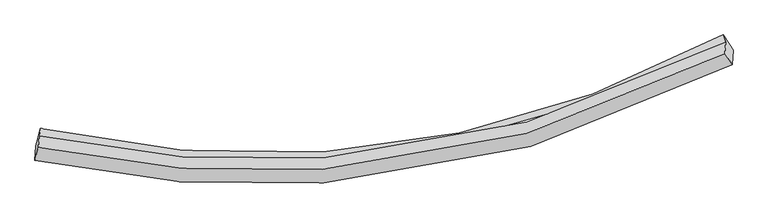
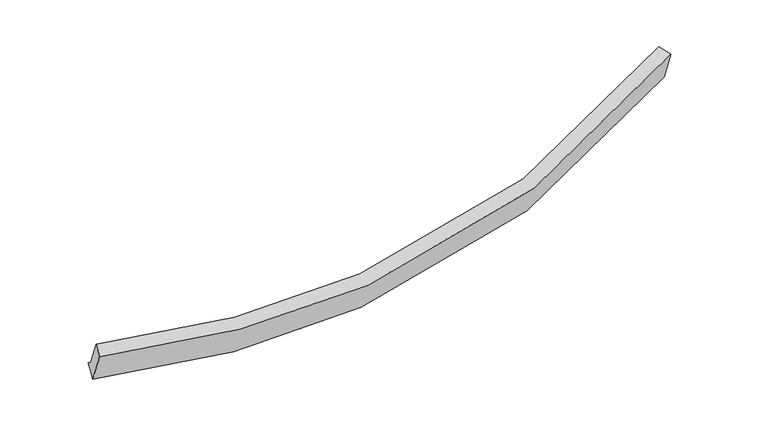
"""IFC4 building model written with IfcOpenShell, lengths in millimetres: proxy geometry."""

import ifcopenshell
import ifcopenshell.guid

model = None  # the IFC model being written
_history = None  # IfcOwnerHistory: only IFC2X3 demands one
_inside = {}  # id of a spatial element -> (the spatial element, [elements in it])
_under = {}  # id of a project, library or spatial element -> (it, [spatial elements below it])
_declared = {}  # id of a project -> (the project, [libraries it declares])
_typed = {}  # id of a type object -> (the type object, [elements of that type])
_made_of = {}  # id of a material, layer set ... -> (it, [elements and type objects made of it])


def new_model(schema):
    """Start an empty IFC model of exactly this schema.

    Asked for "IFC4X3", IfcOpenShell would pick the latest addendum, in which some entities
    have other attributes; the version numbers below select the first issue.
    IFC2X3 requires an IfcOwnerHistory on every rooted entity: one is made here for all.
    """
    global model, _history
    if schema == "IFC4X3":
        model = ifcopenshell.file(schema_version=(4, 3, 0, 0))
    else:
        model = ifcopenshell.file(schema=schema)
    _inside.clear()
    _under.clear()
    _declared.clear()
    _typed.clear()
    _made_of.clear()
    _history = None
    if model.schema == "IFC2X3":
        org = make("IfcOrganization", Name="unknown")
        user = make(
            "IfcPersonAndOrganization",
            ThePerson=make("IfcPerson", FamilyName="unknown"),
            TheOrganization=org,
        )
        app = make(
            "IfcApplication",
            ApplicationDeveloper=org,
            Version="unknown",
            ApplicationFullName="unknown",
            ApplicationIdentifier="unknown",
        )
        _history = make(
            "IfcOwnerHistory",
            OwningUser=user,
            OwningApplication=app,
            ChangeAction="ADDED",
            CreationDate=0,
        )
    return model


def make(cls, **values):
    """One entity of the class cls with the attributes given. An attribute that is None is left unset."""
    return model.create_entity(
        cls, **{name: value for name, value in values.items() if value is not None}
    )


def rooted(cls, **values):
    """An entity with a GlobalId (a new one), such as an element, a storey or a relation."""
    return make(cls, GlobalId=ifcopenshell.guid.new(), OwnerHistory=_history, **values)


def si_unit(unit_type, name, prefix=None):
    """IfcSIUnit, for example si_unit("LENGTHUNIT", "METRE", prefix="MILLI")."""
    return make("IfcSIUnit", UnitType=unit_type, Prefix=prefix, Name=name)


def assignment(units):
    """IfcUnitAssignment: the units of a project."""
    return None if units is None else make("IfcUnitAssignment", Units=units)


def point(xyz):
    """IfcCartesianPoint."""
    return None if xyz is None else make("IfcCartesianPoint", Coordinates=xyz)


def direction(xyz):
    """IfcDirection."""
    return None if xyz is None else make("IfcDirection", DirectionRatios=xyz)


def frame(location, z_axis=None, x_axis=None):
    """IfcAxis2Placement3D, a coordinate frame: its origin and axes. An axis left out is left unset."""
    return make(
        "IfcAxis2Placement3D",
        Location=point(location),
        Axis=direction(z_axis),
        RefDirection=direction(x_axis),
    )


def origin():
    """The frame at (0, 0, 0) with its axes left unset."""
    return frame((0.0, 0.0, 0.0))


def place(relative_to, where):
    """IfcLocalPlacement: puts the frame where relative to a parent placement (None: the world)."""
    return make(
        "IfcLocalPlacement", PlacementRelTo=relative_to, RelativePlacement=where
    )


def context(
    kind, dimensions, precision=None, world=None, true_north=None, identifier=None
):
    """IfcGeometricRepresentationContext, for example the 3D "Model" context."""
    return make(
        "IfcGeometricRepresentationContext",
        ContextIdentifier=identifier,
        ContextType=kind,
        CoordinateSpaceDimension=dimensions,
        Precision=precision,
        WorldCoordinateSystem=world,
        TrueNorth=true_north,
    )


def project(units=None, contexts=None):
    """IfcProject with its units and contexts."""
    return rooted(
        "IfcProject",
        Name="project",
        RepresentationContexts=contexts,
        UnitsInContext=assignment(units),
    )


def spatial(cls, under=None, at=None, **own):
    """A site, building, storey or space (cls), placed at a placement, below another one or the project."""
    s = rooted(cls, ObjectPlacement=at, **own)
    if under is not None:
        _under.setdefault(under.id(), (under, []))[1].append(s)
    return s


def shape(context_of_items, identifier, shape_type, items):
    """IfcShapeRepresentation: the items that make up one representation, for example the "Body"."""
    return make(
        "IfcShapeRepresentation",
        ContextOfItems=context_of_items,
        RepresentationIdentifier=identifier,
        RepresentationType=shape_type,
        Items=items,
    )


def source(mapping_origin, context_of_items, identifier, shape_type, items):
    """IfcRepresentationMap: a shape defined once, which mapped items show again and again."""
    return make(
        "IfcRepresentationMap",
        MappingOrigin=mapping_origin,
        MappedRepresentation=shape(context_of_items, identifier, shape_type, items),
    )


def transform(
    local_origin,
    x_axis=None,
    y_axis=None,
    z_axis=None,
    scale=None,
    scale2=None,
    scale3=None,
    uniform=True,
):
    """IfcCartesianTransformationOperator3D, or its non-uniform kind. x_axis, y_axis, z_axis: its Axis1, 2, 3."""
    if uniform:
        return make(
            "IfcCartesianTransformationOperator3D",
            Axis1=direction(x_axis),
            Axis2=direction(y_axis),
            LocalOrigin=point(local_origin),
            Scale=scale,
            Axis3=direction(z_axis),
        )
    return make(
        "IfcCartesianTransformationOperator3DnonUniform",
        Axis1=direction(x_axis),
        Axis2=direction(y_axis),
        LocalOrigin=point(local_origin),
        Scale=scale,
        Axis3=direction(z_axis),
        Scale2=scale2,
        Scale3=scale3,
    )


def mapped(mapping_source, mapping_target):
    """IfcMappedItem: shows the shape of a source again, moved by a transform."""
    return make(
        "IfcMappedItem", MappingSource=mapping_source, MappingTarget=mapping_target
    )


def made_of(thing, what):
    """Note that an element or type object is made of a material, layer set ...; save() writes the relation."""
    if what is not None:
        _made_of.setdefault(what.id(), (what, []))[1].append(thing)
    return thing


def element(
    cls,
    number,
    at=None,
    inside=None,
    cuts=None,
    type_object=None,
    material=None,
    context=None,
    identifier="Body",
    shape_type=None,
    held_by="IfcProductDefinitionShape",
    body=None,
    shapes=None,
    **own,
):
    """One element of the class cls, such as IfcWall. Its Tag is "e" and its number.

    at: its placement. inside: the storey or other place that contains it. cuts: it is an
    opening in that element (IfcRelVoidsElement). A single representation is given by context,
    identifier, shape_type and body (its items); several are given by shapes. held_by: the class
    of the entity that holds the representations. save() writes the other relations.
    """
    e = rooted(cls, Tag="e%d" % number, ObjectPlacement=at, **own)
    if body is not None:
        shapes = [shape(context, identifier, shape_type, body)]
    if shapes is not None:
        e.Representation = make(held_by, Representations=shapes)
    if inside is not None:
        _inside.setdefault(inside.id(), (inside, []))[1].append(e)
    if cuts is not None:
        rooted(
            "IfcRelVoidsElement", RelatingBuildingElement=cuts, RelatedOpeningElement=e
        )
    if type_object is not None:
        _typed.setdefault(type_object.id(), (type_object, []))[1].append(e)
    return made_of(e, material)


def aggregate(whole, parts):
    """IfcRelAggregates: a whole, such as a stair, and the parts it consists of."""
    return rooted("IfcRelAggregates", RelatingObject=whole, RelatedObjects=parts)


def save(model, path):
    """Write the relations noted so far, then the file.

    IfcRelAggregates (storeys below a building ...), IfcRelContainedInSpatialStructure (elements
    in a storey), IfcRelDefinesByType, IfcRelAssociatesMaterial and IfcRelDeclares: one each for
    every whole, place, type object, material and project.
    """
    for whole, parts in _under.values():
        aggregate(whole, parts)
    for where, things in _inside.values():
        rooted(
            "IfcRelContainedInSpatialStructure",
            RelatedElements=things,
            RelatingStructure=where,
        )
    for kind, things in _typed.values():
        rooted("IfcRelDefinesByType", RelatedObjects=things, RelatingType=kind)
    for what, things in _made_of.values():
        rooted("IfcRelAssociatesMaterial", RelatedObjects=things, RelatingMaterial=what)
    for by, libraries in _declared.values():
        rooted("IfcRelDeclares", RelatingContext=by, RelatedDefinitions=libraries)
    model.write(path)


def plane_surface(at):
    """IfcPlane: the flat surface through the origin of the frame at, square to its z axis."""
    return make("IfcPlane", Position=at)


def spline_curve(degree, points, multiplicities, knots, weights=None):
    """IfcBSplineCurveWithKnots; with weights, IfcRationalBSplineCurveWithKnots."""
    own = dict(
        Degree=degree,
        ControlPointsList=[point(p) for p in points],
        CurveForm="UNSPECIFIED",
        ClosedCurve=False,
        SelfIntersect=False,
        KnotMultiplicities=multiplicities,
        Knots=knots,
        KnotSpec="UNSPECIFIED",
    )
    if weights is None:
        return make("IfcBSplineCurveWithKnots", **own)
    return make("IfcRationalBSplineCurveWithKnots", WeightsData=weights, **own)


def spline_surface(u_degree, v_degree, points, u_multiplicities, v_multiplicities, u_knots, v_knots, weights=None):
    """IfcBSplineSurfaceWithKnots; with weights, IfcRationalBSplineSurfaceWithKnots. points: one row for each step in u."""
    own = dict(
        UDegree=u_degree,
        VDegree=v_degree,
        ControlPointsList=[[point(p) for p in row] for row in points],
        SurfaceForm="UNSPECIFIED",
        UClosed=False,
        VClosed=False,
        SelfIntersect=False,
        UMultiplicities=u_multiplicities,
        VMultiplicities=v_multiplicities,
        UKnots=u_knots,
        VKnots=v_knots,
        KnotSpec="UNSPECIFIED",
    )
    if weights is None:
        return make("IfcBSplineSurfaceWithKnots", **own)
    return make("IfcRationalBSplineSurfaceWithKnots", WeightsData=weights, **own)


def advanced_brep(points, edges, surfaces, faces):
    """IfcAdvancedBrep: a solid bounded by faces that lie on surfaces and meet in shared edges.

    An edge is (start, end): straight between two places in points (the first is 0);
    or (start, end, curve); or (start, end, curve, False) where it runs against its curve.
    A face is (place in surfaces, loops), or (place, loops, False) where it looks against
    its surface's normal. A loop lists edges by number (the first is 1), with a minus sign
    where the edge is run from its end to its start. The first loop is the outer one.
    """
    corners = [point(p) for p in points]
    vertices = [make("IfcVertexPoint", VertexGeometry=c) for c in corners]
    made = []
    for start, end, *more in edges:
        made.append(
            make(
                "IfcEdgeCurve",
                EdgeStart=vertices[start],
                EdgeEnd=vertices[end],
                EdgeGeometry=more[0] if more else make("IfcPolyline", Points=[corners[start], corners[end]]),
                SameSense=more[1] if len(more) > 1 else True,
            )
        )
    hull = []
    for where, loops, *sense in faces:
        bounds = []
        for j, loop in enumerate(loops):
            ring = [make("IfcOrientedEdge", EdgeElement=made[abs(k) - 1], Orientation=k > 0) for k in loop]
            bounds.append(
                make(
                    "IfcFaceOuterBound" if j == 0 else "IfcFaceBound",
                    Bound=make("IfcEdgeLoop", EdgeList=ring),
                    Orientation=True,
                )
            )
        hull.append(make("IfcAdvancedFace", Bounds=bounds, FaceSurface=surfaces[where], SameSense=sense[0] if sense else True))
    return make("IfcAdvancedBrep", Outer=make("IfcClosedShell", CfsFaces=hull))


def generic_models_6f05d56a(model_context):
    return source(origin(), model_context, "Body", "AdvancedBrep", [
        advanced_brep(
        [(-4480.1312437, -2213.0902569, 1947.2212861), (-4467.4077036, -2009.8464764, 1452.9702527), (5038.7513465, -700.725963, 2227.076347), (5026.1052081, -902.7333408, 2718.320679), (-4432.5792995, -2033.1202736, 2022.4519004), (4927.1946166, -749.5618614, 2778.7609323), (-4422.5438312, -1872.81532, 1632.6200994), (4936.9600601, -593.5702396, 2399.4183511), (-4404.4013775, -1771.3862485, 1552.6508166), (4905.7021964, -494.6880168, 2308.3772897), (-4436.4989399, -1892.8659873, 1501.870152), (4992.6570902, -629.3450795, 2255.2426787)],
        [
            (0, 1),
            (1, 2, spline_curve(3, [(-4467.4077036, -2009.8464764, 1452.9702527), (-3131.459137714, -2298.034115299, 1366.121320585), (-1819.862283852, -2399.522997643, 1356.036108887), (1378.162933896, -2187.828025261, 1521.691854173), (3235.285763386, -1649.965638178, 1789.81243056), (5038.7513465, -700.725963, 2227.076347)], [4, 2, 4], [0.0, 12.952987145172498, 32.18033472804571])),
            (2, 3),
            (3, 0, spline_curve(3, [(5026.1052081, -902.7333408, 2718.320679), (3222.727866975, -1850.563458486, 2277.628981533), (1365.631345248, -2388.005609196, 2008.486469022), (-1832.453499442, -2600.65304547, 1845.146937653), (-3144.102461692, -2499.996533635, 1857.256319064), (-4480.1312437, -2213.0902569, 1947.2212861)], [4, 2, 4], [0.0, 19.227347582873207, 32.18033472804571])),
            (4, 0),
            (3, 5),
            (5, 4, spline_curve(3, [(4927.1946166, -749.5618614, 2778.7609323), (3150.337980279, -1680.809024653, 2345.571129918), (1321.344991244, -2208.387384628, 2081.208234043), (-1827.054528388, -2415.771736806, 1921.31201939), (-3117.986177954, -2316.046180777, 1933.571904207), (-4432.5792995, -2033.1202736, 2022.4519004)], [4, 2, 4], [0.0, 19.077765970334937, 31.929983693411575])),
            (6, 4),
            (5, 7),
            (7, 6, spline_curve(3, [(4936.9600601, -593.5702396, 2399.4183511), (3160.148363467, -1524.099539231, 1964.482837546), (1331.205595734, -2050.875675802, 1698.169084755), (-1817.101031394, -2256.776176884, 1534.664420167), (-3107.992893625, -2156.415066835, 1545.378755949), (-4422.5438312, -1872.81532, 1632.6200994)], [4, 2, 4], [0.0, 18.928157470201295, 31.679587657675995])),
            (8, 6),
            (7, 9),
            (9, 8, spline_curve(3, [(4905.7021964, -494.6880168, 2308.3772897), (3139.740772435, -1439.911453431, 1873.730385963), (1321.043869555, -1972.299096627, 1608.850311342), (-1811.12608934, -2172.390062189, 1449.661632503), (-3095.797043868, -2065.568496149, 1462.632882715), (-4404.4013775, -1771.3862485, 1552.6508166)], [4, 2, 4], [0.0, 18.887008536856335, 31.61071770860812])),
            (10, 8),
            (9, 11),
            (11, 10, spline_curve(3, [(4992.6570902, -629.3450795, 2255.2426787), (3198.408322934, -1573.686328053, 1820.23034106), (1354.158513234, -2104.15081599, 1555.483287735), (-1816.202152533, -2299.28080448, 1397.35149496), (-3115.004353139, -2189.989952351, 1410.974372623), (-4436.4989399, -1892.8659873, 1501.870152)], [4, 2, 4], [0.0, 18.957733199823668, 31.729087822738904])),
            (1, 10),
            (11, 2),
        ],
        [
            spline_surface(3, 3, [[(-4480.1312437, -2213.0902569, 1947.2212861), (-3144.102461605, -2499.996533466, 1857.256319262), (-1832.453499401, -2600.653045608, 1845.146937778), (1365.631345186, -2388.005608991, 2008.486468835), (3222.727866902, -1850.563458201, 2277.628981256), (5026.1052081, -902.7333408, 2718.320679)], [(-4475.890063686, -2145.342330063, 1782.470941634), (-3139.888020358, -2432.675727399, 1693.544652986), (-1828.256427605, -2533.609696351, 1682.109994807), (1369.808541491, -2321.279747638, 1846.221597335), (3226.913832465, -1783.697518125, 2115.023464382), (5030.320587537, -835.397548227, 2554.572568332)], [(-4471.648883614, -2077.594403237, 1617.720597166), (-3135.673579055, -2365.354921344, 1529.832986707), (-1824.059355795, -2466.56634711, 1519.073051784), (1373.985737809, -2254.553886301, 1683.956725783), (3231.099798115, -1716.831577969, 1952.417947514), (5034.535967063, -768.061755573, 2390.824457668)], [(-4467.4077036, -2009.8464764, 1452.9702527), (-3131.459137808, -2298.034115277, 1366.121320431), (-1819.862283999, -2399.522997854, 1356.036108813), (1378.162934113, -2187.828024948, 1521.691854282), (3235.285763678, -1649.965637894, 1789.812430641), (5038.7513465, -700.725963, 2227.076347)]], [4, 4], [4, 2, 4], [0.0, 1.7305349382690753], [0.0, 12.952987145172498, 32.18033472804571]),
            spline_surface(3, 3, [[(-4432.5792995, -2033.1202736, 2022.4519004), (-3117.986177883, -2316.046180615, 1933.571904224), (-1827.054528263, -2415.771736678, 1921.312019209), (1321.344991058, -2208.387384818, 2081.208234312), (3150.33798015, -1680.809024664, 2345.571129927), (4927.1946166, -749.5618614, 2778.7609323)], [(-4448.429947575, -2093.110268046, 1997.375028968), (-3126.691605799, -2377.362964912, 1908.133375905), (-1828.854185309, -2477.398839662, 1895.923658734), (1336.1071091, -2268.260126216, 2056.967645822), (3174.467942406, -1737.393835818, 2322.923747036), (4960.164813772, -800.619021175, 2758.6141812)], [(-4464.280595625, -2153.100262454, 1972.298157532), (-3135.39703369, -2438.67974917, 1882.694847582), (-1830.653842355, -2539.025942624, 1870.535298253), (1350.869227143, -2328.132867593, 2032.727057325), (3198.597904646, -1793.978647047, 2300.276364146), (4993.135010928, -851.676181025, 2738.4674301)], [(-4480.1312437, -2213.0902569, 1947.2212861), (-3144.102461605, -2499.996533466, 1857.256319262), (-1832.453499401, -2600.653045608, 1845.146937778), (1365.631345186, -2388.005608991, 2008.486468835), (3222.727866902, -1850.563458201, 2277.628981256), (5026.1052081, -902.7333408, 2718.320679)]], [4, 4], [4, 2, 4], [0.0, 0.6470772516304949], [0.0, 12.852217723076636, 31.929983693411575]),
            spline_surface(3, 3, [[(-4422.5438312, -1872.81532, 1632.6200994), (-3107.992893535, -2156.415066662, 1545.378755788), (-1817.101031238, -2256.776176751, 1534.66442011), (1331.205595503, -2050.875676, 1698.16908484), (3160.148363614, -1524.09953912, 1964.482837757), (4936.9600601, -593.5702396, 2399.4183511)], [(-4425.888987268, -1926.250304548, 1762.564033063), (-3111.323988285, -2209.625437994, 1674.77647193), (-1820.418863593, -2309.774696704, 1663.546953141), (1327.918727341, -2103.379578917, 1825.84880133), (3156.878235805, -1576.336034332, 2091.512268496), (4933.704912279, -645.567446898, 2525.865878183)], [(-4429.234143432, -1979.685289052, 1892.507966737), (-3114.655083133, -2262.835809283, 1804.174188082), (-1823.736695908, -2362.773216725, 1792.429486177), (1324.631859219, -2155.883481901, 1953.528517822), (3153.608107959, -1628.572529451, 2218.541699187), (4930.449764421, -697.564654102, 2652.313405217)], [(-4432.5792995, -2033.1202736, 2022.4519004), (-3117.986177883, -2316.046180615, 1933.571904224), (-1827.054528263, -2415.771736678, 1921.312019209), (1321.344991058, -2208.387384818, 2081.208234312), (3150.33798015, -1680.809024664, 2345.571129927), (4927.1946166, -749.5618614, 2778.7609323)]], [4, 4], [4, 2, 4], [0.0, 1.3631431440885187], [0.0, 12.7514301874747, 31.679587657675995]),
            spline_surface(3, 3, [[(-4404.4013775, -1771.3862485, 1552.6508166), (-3095.797044017, -2065.568496354, 1462.632882507), (-1811.126089202, -2172.390062321, 1449.661632439), (1321.04386935, -1972.299096431, 1608.850311436), (3139.740772469, -1439.911453217, 1873.730385894), (4905.7021964, -494.6880168, 2308.3772897)], [(-4410.448862071, -1805.195938985, 1579.307244187), (-3099.862327194, -2095.850686442, 1490.214840255), (-1813.117736559, -2200.518767138, 1477.995894972), (1324.431111389, -1998.491289628, 1638.62323588), (3146.543302843, -1467.974148491, 1903.981203178), (4916.121484293, -527.648757707, 2338.724310163)], [(-4416.496346629, -1839.005629515, 1605.963671813), (-3103.927610358, -2126.132876575, 1517.796798041), (-1815.109383881, -2228.647471934, 1506.330157577), (1327.818353464, -2024.683482803, 1668.396160397), (3153.34583324, -1496.036843846, 1934.232020473), (4926.540772207, -560.609498693, 2369.071330637)], [(-4422.5438312, -1872.81532, 1632.6200994), (-3107.992893535, -2156.415066662, 1545.378755788), (-1817.101031238, -2256.776176751, 1534.66442011), (1331.205595503, -2050.875676, 1698.16908484), (3160.148363614, -1524.09953912, 1964.482837757), (4936.9600601, -593.5702396, 2399.4183511)]], [4, 4], [4, 2, 4], [0.0, 0.39273277503135057], [0.0, 12.723709171751784, 31.61071770860812]),
            spline_surface(3, 3, [[(-4436.4989399, -1892.8659873, 1501.870152), (-3115.004352929, -2189.989952143, 1410.974372448), (-1816.202152641, -2299.28080436, 1397.351494764), (1354.158513394, -2104.150816169, 1555.483288026), (3198.408323137, -1573.686328009, 1820.230341288), (4992.6570902, -629.3450795, 2255.2426787)], [(-4425.79975245, -1852.372741049, 1518.797040217), (-3108.601916641, -2148.516133562, 1428.193875818), (-1814.510131491, -2256.983890353, 1414.788207331), (1343.120298716, -2060.20024293, 1573.272295838), (3178.852472913, -1529.094703095, 1838.063689501), (4963.672125599, -584.45939195, 2272.954215711)], [(-4415.10056495, -1811.879494751, 1535.723928383), (-3102.199480305, -2107.042314935, 1445.413379137), (-1812.818110352, -2214.686976327, 1432.224919872), (1332.082084028, -2016.24966967, 1591.061303624), (3159.296622693, -1484.503078131, 1855.897037681), (4934.687161001, -539.57370435, 2290.665752689)], [(-4404.4013775, -1771.3862485, 1552.6508166), (-3095.797044017, -2065.568496354, 1462.632882507), (-1811.126089202, -2172.390062321, 1449.661632439), (1321.04386935, -1972.299096431, 1608.850311436), (3139.740772469, -1439.911453217, 1873.730385894), (4905.7021964, -494.6880168, 2308.3772897)]], [4, 4], [4, 2, 4], [0.0, 0.46682747380897655], [0.0, 12.771354622915236, 31.729087822738904]),
            spline_surface(3, 3, [[(-4467.4077036, -2009.8464764, 1452.9702527), (-3131.459137808, -2298.034115277, 1366.121320431), (-1819.862283999, -2399.522997854, 1356.036108813), (1378.162934113, -2187.828024948, 1521.691854282), (3235.285763678, -1649.965637894, 1789.812430641), (5038.7513465, -700.725963, 2227.076347)], [(-4457.104782351, -1970.85298001, 1469.270219131), (-3125.9742095, -2262.019394209, 1381.072337767), (-1818.642240187, -2366.108933363, 1369.807904127), (1370.161460566, -2159.935622029, 1532.955665527), (3222.993283518, -1624.539201242, 1799.951734168), (5023.38659442, -676.932335144, 2236.465124212)], [(-4446.801861149, -1931.85948369, 1485.570185569), (-3120.489281237, -2226.004673211, 1396.023355111), (-1817.422196453, -2332.694868851, 1383.57969945), (1362.159986941, -2132.043219088, 1544.219476781), (3210.700803298, -1599.11276466, 1810.09103776), (5008.02184228, -653.138707356, 2245.853901488)], [(-4436.4989399, -1892.8659873, 1501.870152), (-3115.004352929, -2189.989952143, 1410.974372448), (-1816.202152641, -2299.28080436, 1397.351494764), (1354.158513394, -2104.150816169, 1555.483288026), (3198.408323137, -1573.686328009, 1820.230341288), (4992.6570902, -629.3450795, 2255.2426787)]], [4, 4], [4, 2, 4], [0.0, 0.3189420063666133], [0.0, 12.899796202160186, 32.048187422451065]),
            plane_surface(frame((4966.9426855, -688.2558843, 2486.3907198), z_axis=(0.8569058680980732, 0.4686059580616397, 0.21475751276316346), x_axis=(0.22651088020061316, -0.7165524661396119, 0.65973129713542))),
            plane_surface(frame((-4441.4126911, -1980.0517151, 1721.582871), z_axis=(-0.9712561754909663, 0.22790305219849658, 0.06871419336112959), x_axis=(-0.023801909336080524, -0.38020786827989, 0.9245947469080813))),
        ],
        [
            (0, [[1, 2, 3, 4]]),
            (1, [[5, -4, 6, 7]]),
            (2, [[8, -7, 9, 10]]),
            (3, [[11, -10, 12, 13]]),
            (4, [[14, -13, 15, 16]]),
            (5, [[17, -16, 18, -2]]),
            (6, [[-12, -9, -6, -3, -18, -15]]),
            (7, [[-1, -5, -8, -11, -14, -17]]),
        ],
    ),
    ])


if __name__ == "__main__":
    model = new_model("IFC4")
    model_context = context("Model", 3, world=origin())
    ifc_project = project(units=[si_unit("LENGTHUNIT", "METRE", prefix="MILLI")], contexts=[model_context])
    site = spatial("IfcSite", under=ifc_project)
    building = spatial("IfcBuilding", under=site)
    placement = place(None, origin())
    generic_models_shape = generic_models_6f05d56a(model_context)
    element("IfcBuildingElementProxy", 1, Name="Generic Models", at=placement, inside=building, context=model_context, shape_type="MappedRepresentation", body=[
        mapped(generic_models_shape, transform((0.0, 0.0, 0.0), x_axis=(1.0, 0.0, 0.0), y_axis=(0.0, 1.0, 0.0), z_axis=(0.0, 0.0, 1.0))),
    ])
    save(model, "model.ifc")
